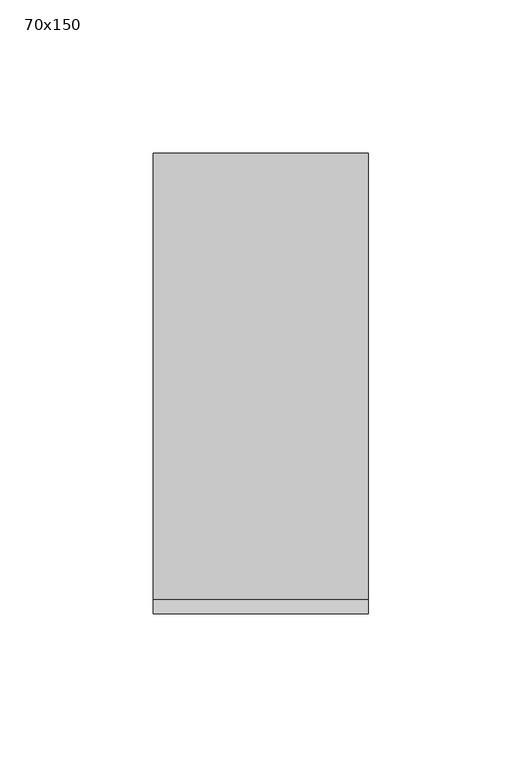
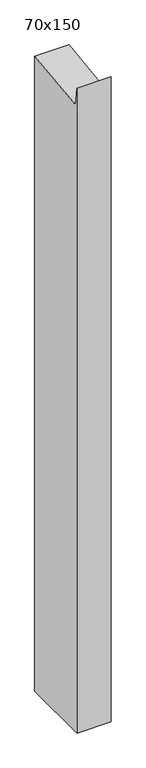
"""IFC4 building model written with IfcOpenShell, lengths in millimetres: member geometry, 70x150."""

from ifc_helpers import new_model, si_unit, frame, origin, place, context, project, spatial, polyline, outline, extrude, source, transform, mapped, element, save


def member_70x150_2bca83e0(model_context):
    return source(origin(), model_context, "Body", "SweptSolid", [
        extrude(outline(polyline([(-75.0, 30.4702659), (-70.2424427, -8.7721286), (75.0, 8.8363597), (75.0, -1368.9582366), (-75.0, -1368.9582366), (-75.0, 30.4702659)])), frame((-70.0, 0.0, 0.0), z_axis=(1.0, 0.0, 0.0), x_axis=(0.0, 1.0, 0.0)), (0.0, 0.0, 1.0), 70.0),
    ])


if __name__ == "__main__":
    model = new_model("IFC4")
    model_context = context("Model", 3, world=origin())
    ifc_project = project(units=[si_unit("LENGTHUNIT", "METRE", prefix="MILLI")], contexts=[model_context])
    site = spatial("IfcSite", under=ifc_project)
    building = spatial("IfcBuilding", under=site)
    placement = place(None, origin())
    member_70x150_shape = member_70x150_2bca83e0(model_context)
    element("IfcMember", 1, ObjectType="70x150", at=placement, inside=building, context=model_context, shape_type="MappedRepresentation", body=[
        mapped(member_70x150_shape, transform((0.0, 0.0, 0.0), x_axis=(1.0, 0.0, 0.0), y_axis=(0.0, 1.0, 0.0), z_axis=(0.0, 0.0, 1.0))),
    ])
    save(model, "model.ifc")
